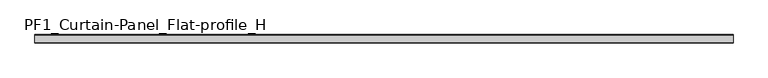
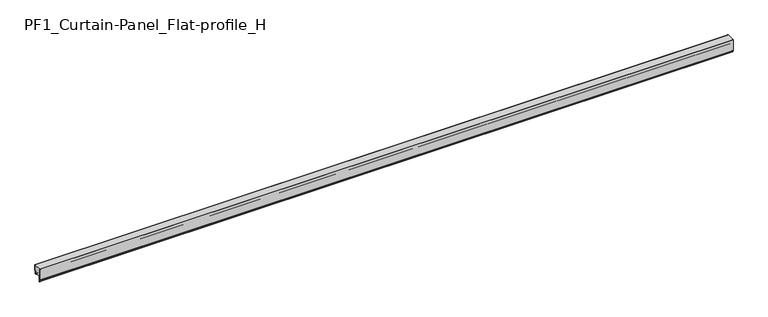
"""IFC4 building model written with IfcOpenShell, lengths in millimetres: plate geometry, PF1_Curtain-Panel_Flat-profile_H."""

from ifc_helpers import new_model, si_unit, point, frame, frame_2d, origin, place, context, project, spatial, polyline, circle_curve, trimmed, segment, composite_curve, outline, extrude, source, transform, mapped, element, save


def pf1_curtain_panel_flat_profile_h_52a74b1e(model_context):
    return source(origin(), model_context, "Body", "SweptSolid", [
        extrude(outline(composite_curve([segment(polyline([(-15.878557, 0.0), (-20.0, 0.0), (-20.0, 0.8), (-15.878557, 0.8)]), True, "CONTINUOUS"), segment(trimmed(circle_curve(frame_2d((-15.878557, -2.0)), 2.8), [point((-15.878557, 0.8))], [point((-13.1503208, -1.370137))], False, "CARTESIAN"), True, "CONTINUOUS"), segment(polyline([(-13.1503208, -1.370137), (-11.728236, -7.529863)]), True, "CONTINUOUS"), segment(trimmed(circle_curve(frame_2d((-9.0, -6.9)), 2.8), [point((-11.728236, -7.529863))], [point((-6.2, -6.9))], True, "CARTESIAN"), True, "CONTINUOUS"), segment(polyline([(-6.2, -6.9), (-6.2, 8.6)]), True, "CONTINUOUS"), segment(trimmed(circle_curve(frame_2d((-3.4, 8.6)), 2.8), [point((-6.2, 8.6))], [point((-3.4, 11.4))], False, "CARTESIAN"), True, "CONTINUOUS"), segment(polyline([(-3.4, 11.4), (-2.0, 11.4)]), True, "CONTINUOUS"), segment(trimmed(circle_curve(frame_2d((-2.0, 12.6)), 1.2), [point((-2.0, 11.4))], [point((-0.8, 12.6))], True, "CARTESIAN"), True, "CONTINUOUS"), segment(polyline([(-0.8, 12.6), (-0.8, 47.0), (0.0, 47.0), (0.0, 12.6)]), True, "CONTINUOUS"), segment(trimmed(circle_curve(frame_2d((-2.0, 12.6)), 2.0), [point((0.0, 12.6))], [point((-2.0, 10.6))], False, "CARTESIAN"), True, "CONTINUOUS"), segment(polyline([(-2.0, 10.6), (-3.4, 10.6)]), True, "CONTINUOUS"), segment(trimmed(circle_curve(frame_2d((-3.4, 8.6)), 2.0), [point((-3.4, 10.6))], [point((-5.4, 8.6))], True, "CARTESIAN"), True, "CONTINUOUS"), segment(polyline([(-5.4, 8.6), (-5.4, -6.9)]), True, "CONTINUOUS"), segment(trimmed(circle_curve(frame_2d((-9.0, -6.9)), 3.6), [point((-5.4, -6.9))], [point((-12.5077322, -7.7098239))], False, "CARTESIAN"), True, "CONTINUOUS"), segment(polyline([(-12.5077322, -7.7098239), (-13.929817, -1.5500979)]), True, "CONTINUOUS"), segment(trimmed(circle_curve(frame_2d((-15.878557, -2.0)), 2.0), [point((-13.929817, -1.5500979))], [point((-15.878557, 0.0))], True, "CARTESIAN"), True, "CONTINUOUS")], self_intersect=False)), frame((-2100.0119739, 0.0, 0.0), z_axis=(1.0, 0.0, 0.0), x_axis=(0.0, 1.0, 0.0)), (0.0, 0.0, 1.0), 4200.0239479),
        extrude(outline(composite_curve([segment(polyline([(-40.0, 0.0), (-43.5, 0.0)]), True, "CONTINUOUS"), segment(trimmed(circle_curve(frame_2d((-43.5, -2.0)), 2.0), [point((-43.5, 0.0))], [point((-45.5, -2.0))], True, "CARTESIAN"), True, "CONTINUOUS"), segment(polyline([(-45.5, -2.0), (-45.5, -33.0)]), True, "CONTINUOUS"), segment(trimmed(circle_curve(frame_2d((-46.5, -33.0)), 1.0), [point((-45.5, -33.0))], [point((-47.5, -33.0))], False, "CARTESIAN"), True, "CONTINUOUS"), segment(polyline([(-47.5, -33.0), (-47.5, -26.9)]), True, "CONTINUOUS"), segment(trimmed(circle_curve(frame_2d((-48.4, -26.9)), 0.9), [point((-47.5, -26.9))], [point((-48.4, -26.0))], True, "CARTESIAN"), True, "CONTINUOUS"), segment(trimmed(circle_curve(frame_2d((-48.4, -24.4)), 1.6), [point((-48.4, -26.0))], [point((-50.0, -24.4))], False, "CARTESIAN"), True, "CONTINUOUS"), segment(polyline([(-50.0, -24.4), (-50.0, 47.0), (-49.2, 47.0), (-49.2, -24.4)]), True, "CONTINUOUS"), segment(trimmed(circle_curve(frame_2d((-48.4, -24.4)), 0.8), [point((-49.2, -24.4))], [point((-48.4, -25.2))], True, "CARTESIAN"), True, "CONTINUOUS"), segment(trimmed(circle_curve(frame_2d((-48.6133333, -26.9)), 1.7133333), [point((-48.4, -25.2))], [point((-46.9, -26.9))], False, "CARTESIAN"), True, "CONTINUOUS"), segment(polyline([(-46.9, -26.9), (-46.9, -32.8700312)]), True, "CONTINUOUS"), segment(trimmed(circle_curve(frame_2d((-46.6, -32.8700312)), 0.3), [point((-46.9, -32.8700312))], [point((-46.3, -32.8700312))], True, "CARTESIAN"), True, "CONTINUOUS"), segment(polyline([(-46.3, -32.8700312), (-46.3, -2.0)]), True, "CONTINUOUS"), segment(trimmed(circle_curve(frame_2d((-43.5, -2.0)), 2.8), [point((-46.3, -2.0))], [point((-43.5, 0.8))], False, "CARTESIAN"), True, "CONTINUOUS"), segment(polyline([(-43.5, 0.8), (-40.0, 0.8), (-40.0, 0.0)]), True, "CONTINUOUS")], self_intersect=False)), frame((-2100.0119739, 0.0, 0.0), z_axis=(1.0, 0.0, 0.0), x_axis=(0.0, 1.0, 0.0)), (0.0, 0.0, 1.0), 4200.0239479),
        extrude(outline(composite_curve([segment(polyline([(-40.0, 0.8), (-43.5, 0.8)]), True, "CONTINUOUS"), segment(trimmed(circle_curve(frame_2d((-43.5, -2.0)), 2.8), [point((-43.5, 0.8))], [point((-46.3, -2.0))], True, "CARTESIAN"), True, "CONTINUOUS"), segment(polyline([(-46.3, -2.0), (-46.3, -32.8700312)]), True, "CONTINUOUS"), segment(trimmed(circle_curve(frame_2d((-46.6, -32.8700312)), 0.3), [point((-46.3, -32.8700312))], [point((-46.9, -32.8700312))], False, "CARTESIAN"), True, "CONTINUOUS"), segment(polyline([(-46.9, -32.8700312), (-46.9, -26.9)]), True, "CONTINUOUS"), segment(trimmed(circle_curve(frame_2d((-48.6133333, -26.9)), 1.7133333), [point((-46.9, -26.9))], [point((-48.4, -25.2))], True, "CARTESIAN"), True, "CONTINUOUS"), segment(trimmed(circle_curve(frame_2d((-48.4, -24.4)), 0.8), [point((-48.4, -25.2))], [point((-49.2, -24.4))], False, "CARTESIAN"), True, "CONTINUOUS"), segment(polyline([(-49.2, -24.4), (-49.2, 47.0), (-0.8, 47.0), (-0.8, 12.6)]), True, "CONTINUOUS"), segment(trimmed(circle_curve(frame_2d((-2.0, 12.6)), 1.2), [point((-0.8, 12.6))], [point((-2.0, 11.4))], False, "CARTESIAN"), True, "CONTINUOUS"), segment(polyline([(-2.0, 11.4), (-3.4, 11.4)]), True, "CONTINUOUS"), segment(trimmed(circle_curve(frame_2d((-3.4, 8.6)), 2.8), [point((-3.4, 11.4))], [point((-6.2, 8.6))], True, "CARTESIAN"), True, "CONTINUOUS"), segment(polyline([(-6.2, 8.6), (-6.2, -6.9)]), True, "CONTINUOUS"), segment(trimmed(circle_curve(frame_2d((-9.0, -6.9)), 2.8), [point((-6.2, -6.9))], [point((-11.7282362, -7.529863))], False, "CARTESIAN"), True, "CONTINUOUS"), segment(polyline([(-11.7282362, -7.529863), (-13.1503208, -1.370137)]), True, "CONTINUOUS"), segment(trimmed(circle_curve(frame_2d((-15.878557, -2.0)), 2.8), [point((-13.1503208, -1.370137))], [point((-15.878557, 0.8))], True, "CARTESIAN"), True, "CONTINUOUS"), segment(polyline([(-15.878557, 0.8), (-20.0, 0.8), (-20.0, 0.0), (-40.0, 0.0), (-40.0, 0.8)]), True, "CONTINUOUS")], self_intersect=False)), frame((-2100.0119739, 0.0, 0.0), z_axis=(1.0, 0.0, 0.0), x_axis=(0.0, 1.0, 0.0)), (0.0, 0.0, 1.0), 4200.0239479),
    ])


if __name__ == "__main__":
    model = new_model("IFC4")
    model_context = context("Model", 3, world=origin())
    ifc_project = project(units=[si_unit("LENGTHUNIT", "METRE", prefix="MILLI")], contexts=[model_context])
    site = spatial("IfcSite", under=ifc_project)
    building = spatial("IfcBuilding", under=site)
    placement = place(None, origin())
    pf1_curtain_panel_flat_profile_h_shape = pf1_curtain_panel_flat_profile_h_52a74b1e(model_context)
    element("IfcPlate", 1, ObjectType="PF1_Curtain-Panel_Flat-profile_H", at=placement, inside=building, context=model_context, shape_type="MappedRepresentation", body=[
        mapped(pf1_curtain_panel_flat_profile_h_shape, transform((0.0, 0.0, 0.0), x_axis=(1.0, 0.0, 0.0), y_axis=(0.0, 1.0, 0.0), z_axis=(0.0, 0.0, 1.0))),
    ])
    save(model, "model.ifc")
